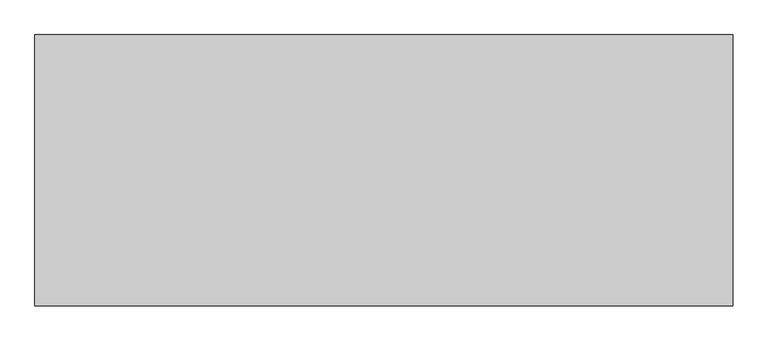
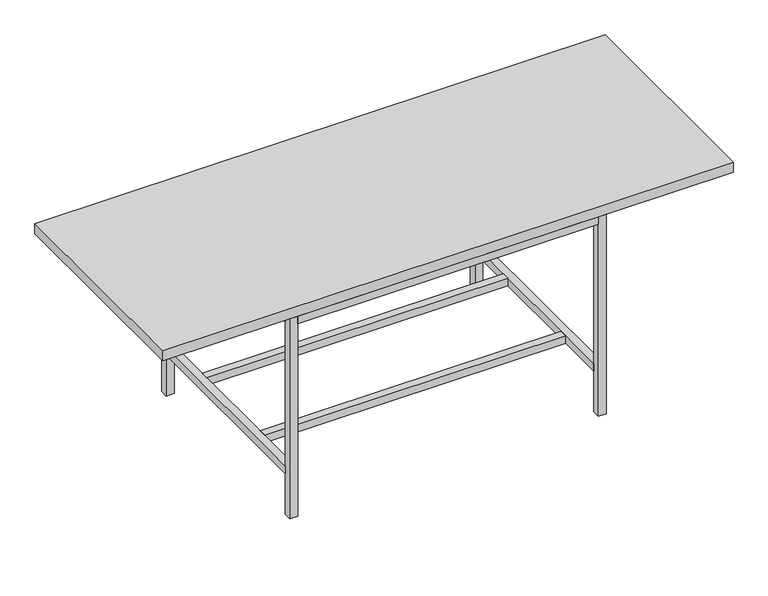
"""IFC4 building model written with IfcOpenShell, lengths in millimetres: furniture geometry."""

import ifcopenshell
import ifcopenshell.guid

model = None  # the IFC model being written
_history = None  # IfcOwnerHistory: only IFC2X3 demands one
_inside = {}  # id of a spatial element -> (the spatial element, [elements in it])
_under = {}  # id of a project, library or spatial element -> (it, [spatial elements below it])
_declared = {}  # id of a project -> (the project, [libraries it declares])
_typed = {}  # id of a type object -> (the type object, [elements of that type])
_made_of = {}  # id of a material, layer set ... -> (it, [elements and type objects made of it])


def new_model(schema):
    """Start an empty IFC model of exactly this schema.

    Asked for "IFC4X3", IfcOpenShell would pick the latest addendum, in which some entities
    have other attributes; the version numbers below select the first issue.
    IFC2X3 requires an IfcOwnerHistory on every rooted entity: one is made here for all.
    """
    global model, _history
    if schema == "IFC4X3":
        model = ifcopenshell.file(schema_version=(4, 3, 0, 0))
    else:
        model = ifcopenshell.file(schema=schema)
    _inside.clear()
    _under.clear()
    _declared.clear()
    _typed.clear()
    _made_of.clear()
    _history = None
    if model.schema == "IFC2X3":
        org = make("IfcOrganization", Name="unknown")
        user = make(
            "IfcPersonAndOrganization",
            ThePerson=make("IfcPerson", FamilyName="unknown"),
            TheOrganization=org,
        )
        app = make(
            "IfcApplication",
            ApplicationDeveloper=org,
            Version="unknown",
            ApplicationFullName="unknown",
            ApplicationIdentifier="unknown",
        )
        _history = make(
            "IfcOwnerHistory",
            OwningUser=user,
            OwningApplication=app,
            ChangeAction="ADDED",
            CreationDate=0,
        )
    return model


def make(cls, **values):
    """One entity of the class cls with the attributes given. An attribute that is None is left unset."""
    return model.create_entity(
        cls, **{name: value for name, value in values.items() if value is not None}
    )


def rooted(cls, **values):
    """An entity with a GlobalId (a new one), such as an element, a storey or a relation."""
    return make(cls, GlobalId=ifcopenshell.guid.new(), OwnerHistory=_history, **values)


def si_unit(unit_type, name, prefix=None):
    """IfcSIUnit, for example si_unit("LENGTHUNIT", "METRE", prefix="MILLI")."""
    return make("IfcSIUnit", UnitType=unit_type, Prefix=prefix, Name=name)


def assignment(units):
    """IfcUnitAssignment: the units of a project."""
    return None if units is None else make("IfcUnitAssignment", Units=units)


def point(xyz):
    """IfcCartesianPoint."""
    return None if xyz is None else make("IfcCartesianPoint", Coordinates=xyz)


def direction(xyz):
    """IfcDirection."""
    return None if xyz is None else make("IfcDirection", DirectionRatios=xyz)


def frame(location, z_axis=None, x_axis=None):
    """IfcAxis2Placement3D, a coordinate frame: its origin and axes. An axis left out is left unset."""
    return make(
        "IfcAxis2Placement3D",
        Location=point(location),
        Axis=direction(z_axis),
        RefDirection=direction(x_axis),
    )


def origin():
    """The frame at (0, 0, 0) with its axes left unset."""
    return frame((0.0, 0.0, 0.0))


def origin_with_axes():
    """The frame at (0, 0, 0) with the z axis (0, 0, 1) and the x axis (1, 0, 0) written out."""
    return frame((0.0, 0.0, 0.0), z_axis=(0.0, 0.0, 1.0), x_axis=(1.0, 0.0, 0.0))


def place(relative_to, where):
    """IfcLocalPlacement: puts the frame where relative to a parent placement (None: the world)."""
    return make(
        "IfcLocalPlacement", PlacementRelTo=relative_to, RelativePlacement=where
    )


def context(
    kind, dimensions, precision=None, world=None, true_north=None, identifier=None
):
    """IfcGeometricRepresentationContext, for example the 3D "Model" context."""
    return make(
        "IfcGeometricRepresentationContext",
        ContextIdentifier=identifier,
        ContextType=kind,
        CoordinateSpaceDimension=dimensions,
        Precision=precision,
        WorldCoordinateSystem=world,
        TrueNorth=true_north,
    )


def project(units=None, contexts=None):
    """IfcProject with its units and contexts."""
    return rooted(
        "IfcProject",
        Name="project",
        RepresentationContexts=contexts,
        UnitsInContext=assignment(units),
    )


def spatial(cls, under=None, at=None, **own):
    """A site, building, storey or space (cls), placed at a placement, below another one or the project."""
    s = rooted(cls, ObjectPlacement=at, **own)
    if under is not None:
        _under.setdefault(under.id(), (under, []))[1].append(s)
    return s


def polyline(points):
    """IfcPolyline through the points."""
    return make("IfcPolyline", Points=[point(p) for p in points])


def outline(outer, holes=None, kind="AREA"):
    """IfcArbitraryClosedProfileDef: a profile drawn as a closed curve; with holes, ...WithVoids."""
    if holes is None:
        return make("IfcArbitraryClosedProfileDef", ProfileType=kind, OuterCurve=outer)
    return make(
        "IfcArbitraryProfileDefWithVoids",
        ProfileType=kind,
        OuterCurve=outer,
        InnerCurves=holes,
    )


def extrude(swept, where, along, depth):
    """IfcExtrudedAreaSolid: the profile swept, set in the frame where, extruded along a direction by depth."""
    return make(
        "IfcExtrudedAreaSolid",
        SweptArea=swept,
        Position=where,
        ExtrudedDirection=direction(along),
        Depth=depth,
    )


def shape(context_of_items, identifier, shape_type, items):
    """IfcShapeRepresentation: the items that make up one representation, for example the "Body"."""
    return make(
        "IfcShapeRepresentation",
        ContextOfItems=context_of_items,
        RepresentationIdentifier=identifier,
        RepresentationType=shape_type,
        Items=items,
    )


def source(mapping_origin, context_of_items, identifier, shape_type, items):
    """IfcRepresentationMap: a shape defined once, which mapped items show again and again."""
    return make(
        "IfcRepresentationMap",
        MappingOrigin=mapping_origin,
        MappedRepresentation=shape(context_of_items, identifier, shape_type, items),
    )


def transform(
    local_origin,
    x_axis=None,
    y_axis=None,
    z_axis=None,
    scale=None,
    scale2=None,
    scale3=None,
    uniform=True,
):
    """IfcCartesianTransformationOperator3D, or its non-uniform kind. x_axis, y_axis, z_axis: its Axis1, 2, 3."""
    if uniform:
        return make(
            "IfcCartesianTransformationOperator3D",
            Axis1=direction(x_axis),
            Axis2=direction(y_axis),
            LocalOrigin=point(local_origin),
            Scale=scale,
            Axis3=direction(z_axis),
        )
    return make(
        "IfcCartesianTransformationOperator3DnonUniform",
        Axis1=direction(x_axis),
        Axis2=direction(y_axis),
        LocalOrigin=point(local_origin),
        Scale=scale,
        Axis3=direction(z_axis),
        Scale2=scale2,
        Scale3=scale3,
    )


def mapped(mapping_source, mapping_target):
    """IfcMappedItem: shows the shape of a source again, moved by a transform."""
    return make(
        "IfcMappedItem", MappingSource=mapping_source, MappingTarget=mapping_target
    )


def made_of(thing, what):
    """Note that an element or type object is made of a material, layer set ...; save() writes the relation."""
    if what is not None:
        _made_of.setdefault(what.id(), (what, []))[1].append(thing)
    return thing


def element(
    cls,
    number,
    at=None,
    inside=None,
    cuts=None,
    type_object=None,
    material=None,
    context=None,
    identifier="Body",
    shape_type=None,
    held_by="IfcProductDefinitionShape",
    body=None,
    shapes=None,
    **own,
):
    """One element of the class cls, such as IfcWall. Its Tag is "e" and its number.

    at: its placement. inside: the storey or other place that contains it. cuts: it is an
    opening in that element (IfcRelVoidsElement). A single representation is given by context,
    identifier, shape_type and body (its items); several are given by shapes. held_by: the class
    of the entity that holds the representations. save() writes the other relations.
    """
    e = rooted(cls, Tag="e%d" % number, ObjectPlacement=at, **own)
    if body is not None:
        shapes = [shape(context, identifier, shape_type, body)]
    if shapes is not None:
        e.Representation = make(held_by, Representations=shapes)
    if inside is not None:
        _inside.setdefault(inside.id(), (inside, []))[1].append(e)
    if cuts is not None:
        rooted(
            "IfcRelVoidsElement", RelatingBuildingElement=cuts, RelatedOpeningElement=e
        )
    if type_object is not None:
        _typed.setdefault(type_object.id(), (type_object, []))[1].append(e)
    return made_of(e, material)


def aggregate(whole, parts):
    """IfcRelAggregates: a whole, such as a stair, and the parts it consists of."""
    return rooted("IfcRelAggregates", RelatingObject=whole, RelatedObjects=parts)


def save(model, path):
    """Write the relations noted so far, then the file.

    IfcRelAggregates (storeys below a building ...), IfcRelContainedInSpatialStructure (elements
    in a storey), IfcRelDefinesByType, IfcRelAssociatesMaterial and IfcRelDeclares: one each for
    every whole, place, type object, material and project.
    """
    for whole, parts in _under.values():
        aggregate(whole, parts)
    for where, things in _inside.values():
        rooted(
            "IfcRelContainedInSpatialStructure",
            RelatedElements=things,
            RelatingStructure=where,
        )
    for kind, things in _typed.values():
        rooted("IfcRelDefinesByType", RelatedObjects=things, RelatingType=kind)
    for what, things in _made_of.values():
        rooted("IfcRelAssociatesMaterial", RelatedObjects=things, RelatingMaterial=what)
    for by, libraries in _declared.values():
        rooted("IfcRelDeclares", RelatingContext=by, RelatedDefinitions=libraries)
    model.write(path)


def furniture_ec116722(model_context):
    return source(origin(), model_context, "Body", "SweptSolid", [
        extrude(outline(polyline([(6946.9, 597.9973297), (6946.9, -468.8026703), (4203.7, -468.8026703), (4203.7, 597.9973297), (6946.9, 597.9973297)])), frame((0.0, 0.0, 1016.0), z_axis=(0.0, 0.0, 1.0), x_axis=(1.0, 0.0, 0.0)), (0.0, 0.0, 1.0), 50.8),
        extrude(outline(polyline([(6299.2, 324.9473297), (6299.2, 286.8473297), (4851.4, 286.8473297), (4851.4, 324.9473297), (6299.2, 324.9473297)])), frame((0.0, 0.0, 206.375), z_axis=(0.0, 0.0, 1.0), x_axis=(1.0, 0.0, 0.0)), (0.0, 0.0, 1.0), 38.1),
        extrude(outline(polyline([(6299.2, -157.6527578), (6299.2, -195.7527578), (4851.4, -195.7527578), (4851.4, -157.6527578), (6299.2, -157.6527578)])), frame((0.0, 0.0, 206.375), z_axis=(0.0, 0.0, 1.0), x_axis=(1.0, 0.0, 0.0)), (0.0, 0.0, 1.0), 38.1),
        extrude(outline(polyline([(6299.2, 559.8973297), (4851.4, 559.8973297), (4851.4, 597.9973297), (6299.2, 597.9973297), (6299.2, 559.8973297)])), frame((0.0, 0.0, 977.9), z_axis=(0.0, 0.0, 1.0), x_axis=(1.0, 0.0, 0.0)), (0.0, 0.0, 1.0), 38.1),
        extrude(outline(polyline([(4851.4, -468.8026703), (4851.4, -430.7027578), (6299.2, -430.7027578), (6299.2, -468.8026703), (4851.4, -468.8026703)])), frame((0.0, 0.0, 977.9), z_axis=(0.0, 0.0, 1.0), x_axis=(1.0, 0.0, 0.0)), (0.0, 0.0, 1.0), 38.1),
        extrude(outline(polyline([(6299.2, -430.7027578), (6299.2, 559.8973297), (6337.3, 559.8973297), (6337.3, -430.7027578), (6299.2, -430.7027578)])), frame((0.0, 0.0, 977.9), z_axis=(0.0, 0.0, 1.0), x_axis=(1.0, 0.0, 0.0)), (0.0, 0.0, 1.0), 38.1),
        extrude(outline(polyline([(6299.2, -430.7027578), (6299.2, 559.8973297), (6337.3, 559.8973297), (6337.3, -430.7027578), (6299.2, -430.7027578)])), frame((0.0, 0.0, 206.375), z_axis=(0.0, 0.0, 1.0), x_axis=(1.0, 0.0, 0.0)), (0.0, 0.0, 1.0), 38.1),
        extrude(outline(polyline([(4813.3, -430.7027578), (4813.3, 559.8973297), (4851.4, 559.8973297), (4851.4, -430.7027578), (4813.3, -430.7027578)])), frame((0.0, 0.0, 206.375), z_axis=(0.0, 0.0, 1.0), x_axis=(1.0, 0.0, 0.0)), (0.0, 0.0, 1.0), 38.1),
        extrude(outline(polyline([(4813.3, -430.7027578), (4813.3, 559.8973297), (4851.4, 559.8973297), (4851.4, -430.7027578), (4813.3, -430.7027578)])), frame((0.0, 0.0, 977.9), z_axis=(0.0, 0.0, 1.0), x_axis=(1.0, 0.0, 0.0)), (0.0, 0.0, 1.0), 38.1),
        extrude(outline(polyline([(6337.3, 597.9973297), (6337.3, 559.8973297), (6299.2, 559.8973297), (6299.2, 597.9973297), (6337.3, 597.9973297)])), origin_with_axes(), (0.0, 0.0, 1.0), 1016.0),
        extrude(outline(polyline([(6337.3, -430.7027578), (6337.3, -468.8026703), (6299.2, -468.8026703), (6299.2, -430.7027578), (6337.3, -430.7027578)])), origin_with_axes(), (0.0, 0.0, 1.0), 1016.0),
        extrude(outline(polyline([(4851.4, -430.7027578), (4851.4, -468.8026703), (4813.3, -468.8026703), (4813.3, -430.7027578), (4851.4, -430.7027578)])), origin_with_axes(), (0.0, 0.0, 1.0), 1016.0),
        extrude(outline(polyline([(4851.4, 597.9973297), (4851.4, 559.8973297), (4813.3, 559.8973297), (4813.3, 597.9973297), (4851.4, 597.9973297)])), origin_with_axes(), (0.0, 0.0, 1.0), 1016.0),
    ])


if __name__ == "__main__":
    model = new_model("IFC4")
    model_context = context("Model", 3, world=origin())
    ifc_project = project(units=[si_unit("LENGTHUNIT", "METRE", prefix="MILLI")], contexts=[model_context])
    site = spatial("IfcSite", under=ifc_project)
    building = spatial("IfcBuilding", under=site)
    placement = place(None, origin())
    furniture_shape = furniture_ec116722(model_context)
    element("IfcFurniture", 1, at=placement, inside=building, context=model_context, shape_type="MappedRepresentation", body=[
        mapped(furniture_shape, transform((0.0, 0.0, 0.0), x_axis=(1.0, 0.0, 0.0), y_axis=(0.0, 1.0, 0.0), z_axis=(0.0, 0.0, 1.0))),
    ])
    save(model, "model.ifc")
